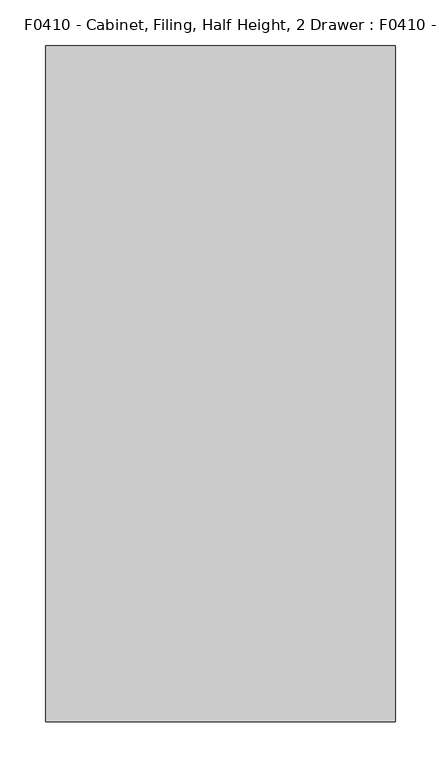
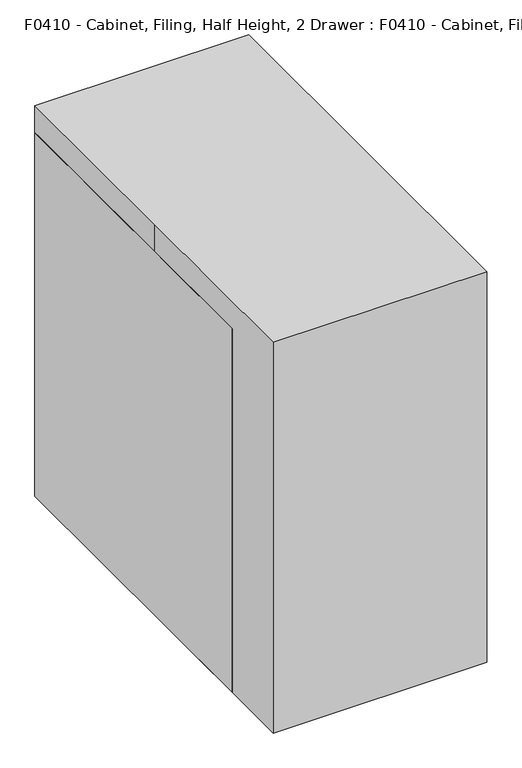
"""IFC4 building model written with IfcOpenShell, lengths in millimetres: proxy geometry, F0410 - Cabinet, Filing, Half Height, 2 Drawer : F0410 - Cabinet, Filing, Half Height, 2 Drawer."""

from ifc_helpers import new_model, si_unit, point, frame, frame_2d, origin, origin_with_axes, place, context, project, spatial, polyline, circle_curve, trimmed, segment, composite_curve, outline, extrude, faceted_brep, source, transform, mapped, element, save


def f0410_cabinet_filing_half_height_2_drawer_f0410_cabinet_dcc2876d(model_context):
    return source(origin(), model_context, "Body", "SolidModel", [
        extrude(outline(composite_curve([segment(polyline([(63.5, -241.3), (75.3851213, -241.3)]), True, "CONTINUOUS"), segment(trimmed(circle_curve(frame_2d((0.0, -131.5472285)), 133.1487415), [point((75.3851213, -241.3))], [point((-75.3851213, -241.3))], False, "CARTESIAN"), True, "CONTINUOUS"), segment(polyline([(-75.3851213, -241.3), (-63.5, -241.3)]), True, "CONTINUOUS"), segment(trimmed(circle_curve(frame_2d((0.0, -131.5472285)), 126.7987415), [point((-63.5, -241.3))], [point((63.5, -241.3))], True, "CARTESIAN"), True, "CONTINUOUS")], self_intersect=False)), frame((0.0, 0.0, 253.8055474), z_axis=(0.0, 0.0, 1.0), x_axis=(1.0, 0.0, 0.0)), (0.0, 0.0, 1.0), 10.1435997),
        extrude(outline(composite_curve([segment(polyline([(63.5, -241.3), (75.3851213, -241.3)]), True, "CONTINUOUS"), segment(trimmed(circle_curve(frame_2d((0.0, -131.5472285)), 133.1487415), [point((75.3851213, -241.3))], [point((-75.3851213, -241.3))], False, "CARTESIAN"), True, "CONTINUOUS"), segment(polyline([(-75.3851213, -241.3), (-63.5, -241.3)]), True, "CONTINUOUS"), segment(trimmed(circle_curve(frame_2d((0.0, -131.5472285)), 126.7987415), [point((-63.5, -241.3))], [point((63.5, -241.3))], True, "CARTESIAN"), True, "CONTINUOUS")], self_intersect=False)), frame((0.0, 0.0, 558.6055474), z_axis=(0.0, 0.0, 1.0), x_axis=(1.0, 0.0, 0.0)), (0.0, 0.0, 1.0), 10.1435997),
        extrude(outline(polyline([(38.1, -242.8875), (-38.1, -242.8875), (-38.1, -241.3), (38.1, -241.3), (38.1, -242.8875)])), frame((0.0, 0.0, 579.8697767), z_axis=(0.0, 0.0, 1.0), x_axis=(1.0, 0.0, 0.0)), (0.0, 0.0, 1.0), 38.1),
        extrude(outline(polyline([(38.1, -242.8875), (-38.1, -242.8875), (-38.1, -241.3), (38.1, -241.3), (38.1, -242.8875)])), frame((0.0, 0.0, 275.0697767), z_axis=(0.0, 0.0, 1.0), x_axis=(1.0, 0.0, 0.0)), (0.0, 0.0, 1.0), 38.1),
        extrude(outline(polyline([(165.1, -241.3), (-165.1, -241.3), (-165.1, 0.0), (165.1, 0.0), (165.1, -241.3)])), frame((0.0, 0.0, 381.0), z_axis=(0.0, 0.0, 1.0), x_axis=(1.0, 0.0, 0.0)), (0.0, 0.0, 1.0), 279.4),
        extrude(outline(polyline([(165.1, -241.3), (-165.1, -241.3), (-165.1, 0.0), (165.1, 0.0), (165.1, -241.3)])), frame((0.0, 0.0, 76.2), z_axis=(0.0, 0.0, 1.0), x_axis=(1.0, 0.0, 0.0)), (0.0, 0.0, 1.0), 279.4),
        faceted_brep([(-190.5, -241.3, 685.8), (-190.5, -241.3, 0.0), (190.5, -241.3, 0.0), (190.5, -241.3, 685.8), (-165.1, -241.3, 355.6), (165.1, -241.3, 355.6), (165.1, -241.3, 76.2), (-165.1, -241.3, 76.2), (165.1, -241.3, 381.0), (-165.1, -241.3, 381.0), (-165.1, -241.3, 660.4), (165.1, -241.3, 660.4), (-190.5, 368.3, 685.8), (-190.5, 368.3, 0.0), (190.5, 368.3, 0.0), (190.5, 368.3, 685.8), (165.1, 342.9, 660.4), (165.1, 342.9, 381.0), (165.1, 342.9, 355.6), (165.1, 342.9, 76.2), (-165.1, 342.9, 76.2), (-165.1, 342.9, 355.6), (-165.1, 342.9, 660.4), (-165.1, 342.9, 381.0)], [[[0, 1, 2, 3], [4, 5, 6, 7], [8, 9, 10, 11]], [[1, 0, 12, 13]], [[2, 1, 13, 14]], [[3, 2, 14, 15]], [[8, 11, 16, 17]], [[6, 5, 18, 19]], [[7, 6, 19, 20]], [[4, 7, 20, 21]], [[12, 15, 14, 13]], [[17, 16, 22, 23]], [[19, 18, 21, 20]], [[12, 0, 3, 15]], [[11, 10, 22, 16]], [[5, 4, 21, 18]], [[9, 8, 17, 23]], [[10, 9, 23, 22]]]),
        extrude(outline(polyline([(-190.5, 368.3), (190.5, 368.3), (190.5, -368.3), (-190.5, -368.3), (-190.5, 0.0), (-190.5, 368.3)])), origin_with_axes(), (0.0, 0.0, 1.0), 736.6),
    ])


if __name__ == "__main__":
    model = new_model("IFC4")
    model_context = context("Model", 3, world=origin())
    ifc_project = project(units=[si_unit("LENGTHUNIT", "METRE", prefix="MILLI")], contexts=[model_context])
    site = spatial("IfcSite", under=ifc_project)
    building = spatial("IfcBuilding", under=site)
    placement = place(None, origin())
    f0410_cabinet_filing_half_height_2_drawer_f0410_cabinet_shape = f0410_cabinet_filing_half_height_2_drawer_f0410_cabinet_dcc2876d(model_context)
    element("IfcBuildingElementProxy", 1, Name="F0410 - Cabinet, Filing, Half Height, 2 Drawer : F0410 - Cabinet, Filing, Half Height, 2 Drawer", ObjectType="F0410 - Cabinet, Filing, Half Height, 2 Drawer : F0410 - Cabinet, Filing, Half Height, 2 Drawer", at=placement, inside=building, context=model_context, shape_type="MappedRepresentation", body=[
        mapped(f0410_cabinet_filing_half_height_2_drawer_f0410_cabinet_shape, transform((0.0, 0.0, 0.0), x_axis=(1.0, 0.0, 0.0), y_axis=(0.0, 1.0, 0.0), z_axis=(0.0, 0.0, 1.0))),
    ])
    save(model, "model.ifc")
